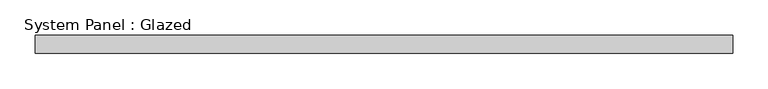
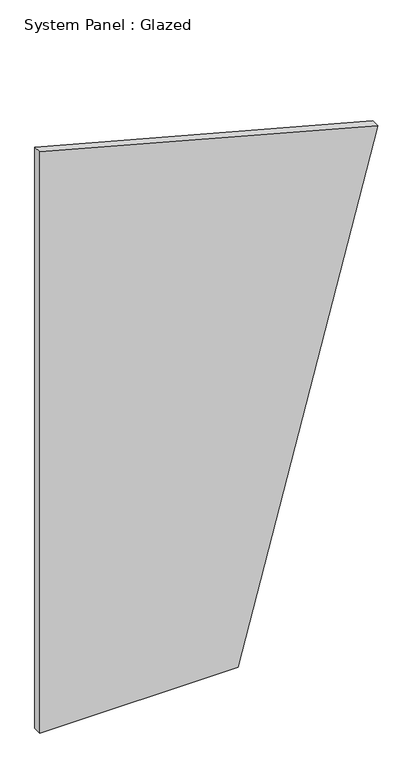
"""IFC4 building model written with IfcOpenShell, lengths in millimetres: plate geometry, System Panel : Glazed."""

from ifc_helpers import new_model, si_unit, frame, origin, place, context, project, spatial, polyline, outline, extrude, source, transform, mapped, element, save


def system_panel_glazed_867dbfc0(model_context):
    return source(origin(), model_context, "Body", "SweptSolid", [
        extrude(outline(polyline([(0.0, -491.9614453), (0.0, 84.1708419), (1521.8952506, 491.9614453), (1785.5365946, -491.9614453), (0.0, -491.9614453)])), frame((0.0, -2.5, 0.0), z_axis=(0.0, 1.0, 0.0), x_axis=(0.0, 0.0, 1.0)), (0.0, 0.0, 1.0), 25.0),
    ])


if __name__ == "__main__":
    model = new_model("IFC4")
    model_context = context("Model", 3, world=origin())
    ifc_project = project(units=[si_unit("LENGTHUNIT", "METRE", prefix="MILLI")], contexts=[model_context])
    site = spatial("IfcSite", under=ifc_project)
    building = spatial("IfcBuilding", under=site)
    placement = place(None, origin())
    system_panel_glazed_shape = system_panel_glazed_867dbfc0(model_context)
    element("IfcPlate", 1, ObjectType="System Panel : Glazed", at=placement, inside=building, context=model_context, shape_type="MappedRepresentation", body=[
        mapped(system_panel_glazed_shape, transform((0.0, 0.0, 0.0), x_axis=(1.0, 0.0, 0.0), y_axis=(0.0, 1.0, 0.0), z_axis=(0.0, 0.0, 1.0))),
    ])
    save(model, "model.ifc")
